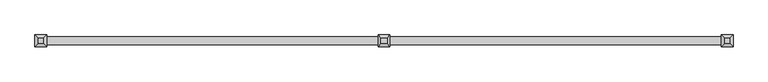
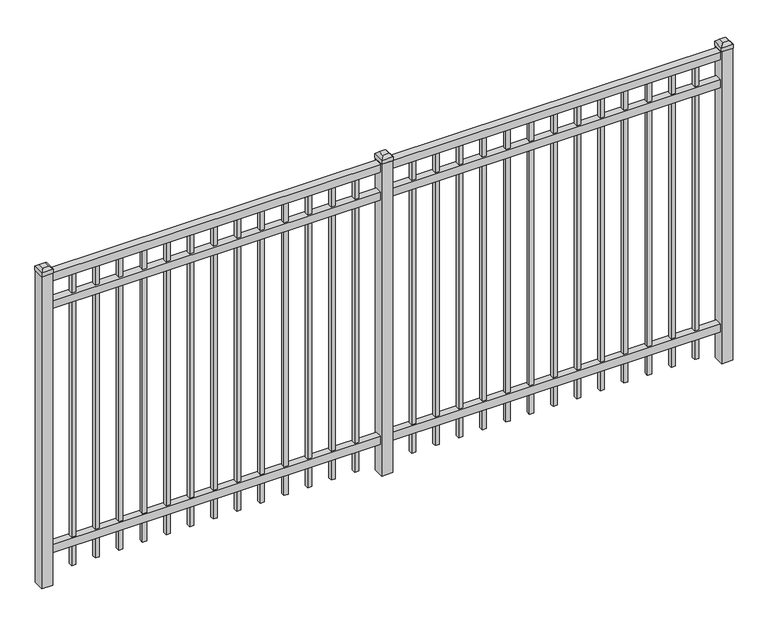
"""IFC4 building model written with IfcOpenShell, lengths in millimetres: railing geometry."""

from ifc_helpers import new_model, si_unit, frame, origin, origin_with_axes, place, context, project, spatial, polyline, outline, extrude, faceted_brep, source, transform, mapped, element, save


def railing_001fcdf0(model_context):
    return source(origin(), model_context, "Body", "SolidModel", [
        extrude(outline(polyline([(-73537.318087, -652.7195174), (-73537.318087, -617.7945174), (-70387.718087, -617.7945174), (-70387.718087, -652.7195174), (-73537.318087, -652.7195174)])), frame((0.0, 0.0, 1485.9), z_axis=(0.0, 0.0, 1.0), x_axis=(1.0, 0.0, 0.0)), (0.0, 0.0, 1.0), 38.1),
        extrude(outline(polyline([(-73537.318087, -652.7195174), (-73537.318087, -617.7945174), (-70387.718087, -617.7945174), (-70387.718087, -652.7195174), (-73537.318087, -652.7195174)])), frame((0.0, 0.0, 1349.375), z_axis=(0.0, 0.0, 1.0), x_axis=(1.0, 0.0, 0.0)), (0.0, 0.0, 1.0), 38.1),
        extrude(outline(polyline([(-73537.318087, -652.7195174), (-73537.318087, -617.7945174), (-70387.718087, -617.7945174), (-70387.718087, -652.7195174), (-73537.318087, -652.7195174)])), frame((0.0, 0.0, 152.4), z_axis=(0.0, 0.0, 1.0), x_axis=(1.0, 0.0, 0.0)), (0.0, 0.0, 1.0), 38.1),
        extrude(outline(polyline([(-70619.2285036, -625.7320174), (-70619.2285036, -644.7820174), (-70638.2785036, -644.7820174), (-70638.2785036, -625.7320174), (-70619.2285036, -625.7320174)])), frame((0.0, 0.0, 50.8), z_axis=(0.0, 0.0, 1.0), x_axis=(1.0, 0.0, 0.0)), (0.0, 0.0, 1.0), 1435.1),
        extrude(outline(polyline([(-70728.5014203, -625.7320174), (-70728.5014203, -644.7820174), (-70747.5514203, -644.7820174), (-70747.5514203, -625.7320174), (-70728.5014203, -625.7320174)])), frame((0.0, 0.0, 50.8), z_axis=(0.0, 0.0, 1.0), x_axis=(1.0, 0.0, 0.0)), (0.0, 0.0, 1.0), 1435.1),
        extrude(outline(polyline([(-70837.774337, -625.7320174), (-70837.774337, -644.7820174), (-70856.824337, -644.7820174), (-70856.824337, -625.7320174), (-70837.774337, -625.7320174)])), frame((0.0, 0.0, 50.8), z_axis=(0.0, 0.0, 1.0), x_axis=(1.0, 0.0, 0.0)), (0.0, 0.0, 1.0), 1435.1),
        extrude(outline(polyline([(-70947.0472536, -625.7320174), (-70947.0472536, -644.7820174), (-70966.0972536, -644.7820174), (-70966.0972536, -625.7320174), (-70947.0472536, -625.7320174)])), frame((0.0, 0.0, 50.8), z_axis=(0.0, 0.0, 1.0), x_axis=(1.0, 0.0, 0.0)), (0.0, 0.0, 1.0), 1435.1),
        extrude(outline(polyline([(-71056.3201703, -625.7320174), (-71056.3201703, -644.7820174), (-71075.3701703, -644.7820174), (-71075.3701703, -625.7320174), (-71056.3201703, -625.7320174)])), frame((0.0, 0.0, 50.8), z_axis=(0.0, 0.0, 1.0), x_axis=(1.0, 0.0, 0.0)), (0.0, 0.0, 1.0), 1435.1),
        extrude(outline(polyline([(-71165.593087, -625.7320174), (-71165.593087, -644.7820174), (-71184.643087, -644.7820174), (-71184.643087, -625.7320174), (-71165.593087, -625.7320174)])), frame((0.0, 0.0, 50.8), z_axis=(0.0, 0.0, 1.0), x_axis=(1.0, 0.0, 0.0)), (0.0, 0.0, 1.0), 1435.1),
        extrude(outline(polyline([(-71274.8660036, -625.7320174), (-71274.8660036, -644.7820174), (-71293.9160036, -644.7820174), (-71293.9160036, -625.7320174), (-71274.8660036, -625.7320174)])), frame((0.0, 0.0, 50.8), z_axis=(0.0, 0.0, 1.0), x_axis=(1.0, 0.0, 0.0)), (0.0, 0.0, 1.0), 1435.1),
        extrude(outline(polyline([(-71384.1389203, -625.7320174), (-71384.1389203, -644.7820174), (-71403.1889203, -644.7820174), (-71403.1889203, -625.7320174), (-71384.1389203, -625.7320174)])), frame((0.0, 0.0, 50.8), z_axis=(0.0, 0.0, 1.0), x_axis=(1.0, 0.0, 0.0)), (0.0, 0.0, 1.0), 1435.1),
        extrude(outline(polyline([(-71493.411837, -625.7320174), (-71493.411837, -644.7820174), (-71512.461837, -644.7820174), (-71512.461837, -625.7320174), (-71493.411837, -625.7320174)])), frame((0.0, 0.0, 50.8), z_axis=(0.0, 0.0, 1.0), x_axis=(1.0, 0.0, 0.0)), (0.0, 0.0, 1.0), 1435.1),
        extrude(outline(polyline([(-71602.6847536, -625.7320174), (-71602.6847536, -644.7820174), (-71621.7347536, -644.7820174), (-71621.7347536, -625.7320174), (-71602.6847536, -625.7320174)])), frame((0.0, 0.0, 50.8), z_axis=(0.0, 0.0, 1.0), x_axis=(1.0, 0.0, 0.0)), (0.0, 0.0, 1.0), 1435.1),
        extrude(outline(polyline([(-71711.9576703, -625.7320174), (-71711.9576703, -644.7820174), (-71731.0076703, -644.7820174), (-71731.0076703, -625.7320174), (-71711.9576703, -625.7320174)])), frame((0.0, 0.0, 50.8), z_axis=(0.0, 0.0, 1.0), x_axis=(1.0, 0.0, 0.0)), (0.0, 0.0, 1.0), 1435.1),
        extrude(outline(polyline([(-70509.955587, -625.7320174), (-70509.955587, -644.7820174), (-70529.005587, -644.7820174), (-70529.005587, -625.7320174), (-70509.955587, -625.7320174)])), frame((0.0, 0.0, 50.8), z_axis=(0.0, 0.0, 1.0), x_axis=(1.0, 0.0, 0.0)), (0.0, 0.0, 1.0), 1435.1),
        extrude(outline(polyline([(-71821.230587, -625.7320174), (-71821.230587, -644.7820174), (-71840.280587, -644.7820174), (-71840.280587, -625.7320174), (-71821.230587, -625.7320174)])), frame((0.0, 0.0, 50.8), z_axis=(0.0, 0.0, 1.0), x_axis=(1.0, 0.0, 0.0)), (0.0, 0.0, 1.0), 1435.1),
        extrude(outline(polyline([(-71937.118087, -609.8570174), (-71937.118087, -660.6570174), (-71987.918087, -660.6570174), (-71987.918087, -609.8570174), (-71937.118087, -609.8570174)])), origin_with_axes(), (0.0, 0.0, 1.0), 1530.35),
        faceted_brep([(-71989.505587, -608.2695174, 1549.4), (-71989.505587, -608.2695174, 1530.35), (-71989.505587, -662.2445174, 1530.35), (-71989.505587, -662.2445174, 1549.4), (-71976.805587, -620.9695174, 1562.1), (-71976.805587, -649.5445174, 1562.1), (-71935.530587, -662.2445174, 1530.35), (-71935.530587, -662.2445174, 1549.4), (-71948.230587, -649.5445174, 1562.1), (-71935.530587, -608.2695174, 1530.35), (-71935.530587, -608.2695174, 1549.4), (-71948.230587, -620.9695174, 1562.1)], [[[0, 1, 2, 3]], [[4, 0, 3, 5]], [[3, 2, 6, 7]], [[5, 3, 7, 8]], [[7, 6, 9, 10]], [[8, 7, 10, 11]], [[10, 9, 1, 0]], [[11, 10, 0, 4]], [[5, 8, 11, 4]], [[1, 9, 6, 2]]]),
        extrude(outline(polyline([(-72194.0285036, -625.7320174), (-72194.0285036, -644.7820174), (-72213.0785036, -644.7820174), (-72213.0785036, -625.7320174), (-72194.0285036, -625.7320174)])), frame((0.0, 0.0, 50.8), z_axis=(0.0, 0.0, 1.0), x_axis=(1.0, 0.0, 0.0)), (0.0, 0.0, 1.0), 1435.1),
        extrude(outline(polyline([(-72303.3014203, -625.7320174), (-72303.3014203, -644.7820174), (-72322.3514203, -644.7820174), (-72322.3514203, -625.7320174), (-72303.3014203, -625.7320174)])), frame((0.0, 0.0, 50.8), z_axis=(0.0, 0.0, 1.0), x_axis=(1.0, 0.0, 0.0)), (0.0, 0.0, 1.0), 1435.1),
        extrude(outline(polyline([(-72412.574337, -625.7320174), (-72412.574337, -644.7820174), (-72431.624337, -644.7820174), (-72431.624337, -625.7320174), (-72412.574337, -625.7320174)])), frame((0.0, 0.0, 50.8), z_axis=(0.0, 0.0, 1.0), x_axis=(1.0, 0.0, 0.0)), (0.0, 0.0, 1.0), 1435.1),
        extrude(outline(polyline([(-72521.8472536, -625.7320174), (-72521.8472536, -644.7820174), (-72540.8972536, -644.7820174), (-72540.8972536, -625.7320174), (-72521.8472536, -625.7320174)])), frame((0.0, 0.0, 50.8), z_axis=(0.0, 0.0, 1.0), x_axis=(1.0, 0.0, 0.0)), (0.0, 0.0, 1.0), 1435.1),
        extrude(outline(polyline([(-72631.1201703, -625.7320174), (-72631.1201703, -644.7820174), (-72650.1701703, -644.7820174), (-72650.1701703, -625.7320174), (-72631.1201703, -625.7320174)])), frame((0.0, 0.0, 50.8), z_axis=(0.0, 0.0, 1.0), x_axis=(1.0, 0.0, 0.0)), (0.0, 0.0, 1.0), 1435.1),
        extrude(outline(polyline([(-72740.393087, -625.7320174), (-72740.393087, -644.7820174), (-72759.443087, -644.7820174), (-72759.443087, -625.7320174), (-72740.393087, -625.7320174)])), frame((0.0, 0.0, 50.8), z_axis=(0.0, 0.0, 1.0), x_axis=(1.0, 0.0, 0.0)), (0.0, 0.0, 1.0), 1435.1),
        extrude(outline(polyline([(-72849.6660036, -625.7320174), (-72849.6660036, -644.7820174), (-72868.7160036, -644.7820174), (-72868.7160036, -625.7320174), (-72849.6660036, -625.7320174)])), frame((0.0, 0.0, 50.8), z_axis=(0.0, 0.0, 1.0), x_axis=(1.0, 0.0, 0.0)), (0.0, 0.0, 1.0), 1435.1),
        extrude(outline(polyline([(-72958.9389203, -625.7320174), (-72958.9389203, -644.7820174), (-72977.9889203, -644.7820174), (-72977.9889203, -625.7320174), (-72958.9389203, -625.7320174)])), frame((0.0, 0.0, 50.8), z_axis=(0.0, 0.0, 1.0), x_axis=(1.0, 0.0, 0.0)), (0.0, 0.0, 1.0), 1435.1),
        extrude(outline(polyline([(-73068.211837, -625.7320174), (-73068.211837, -644.7820174), (-73087.261837, -644.7820174), (-73087.261837, -625.7320174), (-73068.211837, -625.7320174)])), frame((0.0, 0.0, 50.8), z_axis=(0.0, 0.0, 1.0), x_axis=(1.0, 0.0, 0.0)), (0.0, 0.0, 1.0), 1435.1),
        extrude(outline(polyline([(-73177.4847536, -625.7320174), (-73177.4847536, -644.7820174), (-73196.5347536, -644.7820174), (-73196.5347536, -625.7320174), (-73177.4847536, -625.7320174)])), frame((0.0, 0.0, 50.8), z_axis=(0.0, 0.0, 1.0), x_axis=(1.0, 0.0, 0.0)), (0.0, 0.0, 1.0), 1435.1),
        extrude(outline(polyline([(-73286.7576703, -625.7320174), (-73286.7576703, -644.7820174), (-73305.8076703, -644.7820174), (-73305.8076703, -625.7320174), (-73286.7576703, -625.7320174)])), frame((0.0, 0.0, 50.8), z_axis=(0.0, 0.0, 1.0), x_axis=(1.0, 0.0, 0.0)), (0.0, 0.0, 1.0), 1435.1),
        extrude(outline(polyline([(-72084.755587, -625.7320174), (-72084.755587, -644.7820174), (-72103.805587, -644.7820174), (-72103.805587, -625.7320174), (-72084.755587, -625.7320174)])), frame((0.0, 0.0, 50.8), z_axis=(0.0, 0.0, 1.0), x_axis=(1.0, 0.0, 0.0)), (0.0, 0.0, 1.0), 1435.1),
        extrude(outline(polyline([(-73396.030587, -625.7320174), (-73396.030587, -644.7820174), (-73415.080587, -644.7820174), (-73415.080587, -625.7320174), (-73396.030587, -625.7320174)])), frame((0.0, 0.0, 50.8), z_axis=(0.0, 0.0, 1.0), x_axis=(1.0, 0.0, 0.0)), (0.0, 0.0, 1.0), 1435.1),
        extrude(outline(polyline([(-70362.318087, -609.8570174), (-70362.318087, -660.6570174), (-70413.118087, -660.6570174), (-70413.118087, -609.8570174), (-70362.318087, -609.8570174)])), origin_with_axes(), (0.0, 0.0, 1.0), 1530.35),
        faceted_brep([(-70414.705587, -608.2695174, 1549.4), (-70414.705587, -608.2695174, 1530.35), (-70414.705587, -662.2445174, 1530.35), (-70414.705587, -662.2445174, 1549.4), (-70402.005587, -620.9695174, 1562.1), (-70402.005587, -649.5445174, 1562.1), (-70360.730587, -662.2445174, 1530.35), (-70360.730587, -662.2445174, 1549.4), (-70373.430587, -649.5445174, 1562.1), (-70360.730587, -608.2695174, 1530.35), (-70360.730587, -608.2695174, 1549.4), (-70373.430587, -620.9695174, 1562.1)], [[[0, 1, 2, 3]], [[4, 0, 3, 5]], [[3, 2, 6, 7]], [[5, 3, 7, 8]], [[7, 6, 9, 10]], [[8, 7, 10, 11]], [[10, 9, 1, 0]], [[11, 10, 0, 4]], [[5, 8, 11, 4]], [[1, 9, 6, 2]]]),
        extrude(outline(polyline([(-73511.918087, -609.8570174), (-73511.918087, -660.6570174), (-73562.718087, -660.6570174), (-73562.718087, -609.8570174), (-73511.918087, -609.8570174)])), origin_with_axes(), (0.0, 0.0, 1.0), 1530.35),
        faceted_brep([(-73564.305587, -608.2695174, 1549.4), (-73564.305587, -608.2695174, 1530.35), (-73564.305587, -662.2445174, 1530.35), (-73564.305587, -662.2445174, 1549.4), (-73551.605587, -620.9695174, 1562.1), (-73551.605587, -649.5445174, 1562.1), (-73510.330587, -662.2445174, 1530.35), (-73510.330587, -662.2445174, 1549.4), (-73523.030587, -649.5445174, 1562.1), (-73510.330587, -608.2695174, 1530.35), (-73510.330587, -608.2695174, 1549.4), (-73523.030587, -620.9695174, 1562.1)], [[[0, 1, 2, 3]], [[4, 0, 3, 5]], [[3, 2, 6, 7]], [[5, 3, 7, 8]], [[7, 6, 9, 10]], [[8, 7, 10, 11]], [[10, 9, 1, 0]], [[11, 10, 0, 4]], [[5, 8, 11, 4]], [[1, 9, 6, 2]]]),
    ])


if __name__ == "__main__":
    model = new_model("IFC4")
    model_context = context("Model", 3, world=origin())
    ifc_project = project(units=[si_unit("LENGTHUNIT", "METRE", prefix="MILLI")], contexts=[model_context])
    site = spatial("IfcSite", under=ifc_project)
    building = spatial("IfcBuilding", under=site)
    placement = place(None, origin())
    railing_shape = railing_001fcdf0(model_context)
    element("IfcRailing", 1, at=placement, inside=building, context=model_context, shape_type="MappedRepresentation", body=[
        mapped(railing_shape, transform((0.0, 0.0, 0.0), x_axis=(1.0, 0.0, 0.0), y_axis=(0.0, 1.0, 0.0), z_axis=(0.0, 0.0, 1.0))),
    ])
    save(model, "model.ifc")
